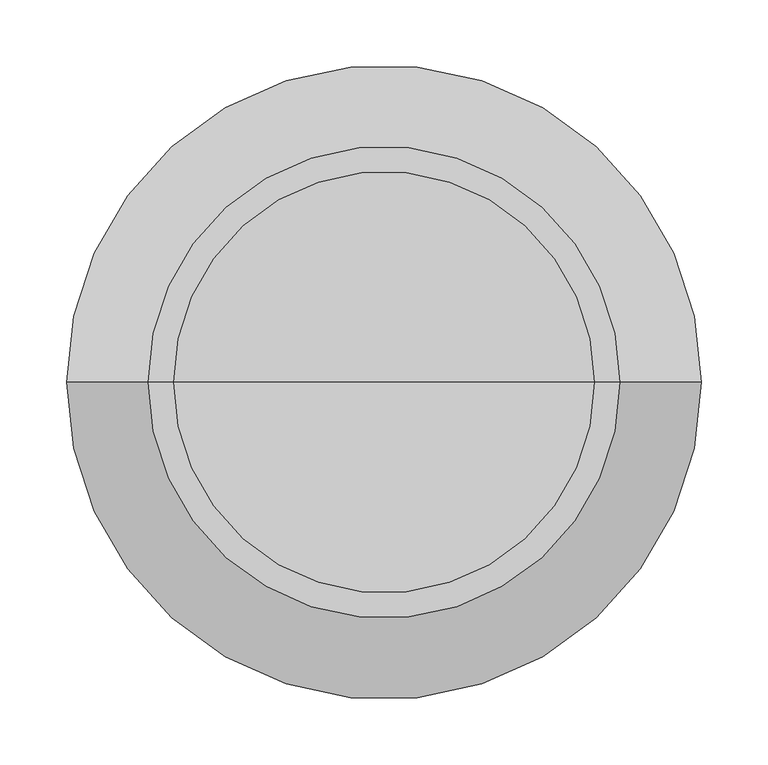
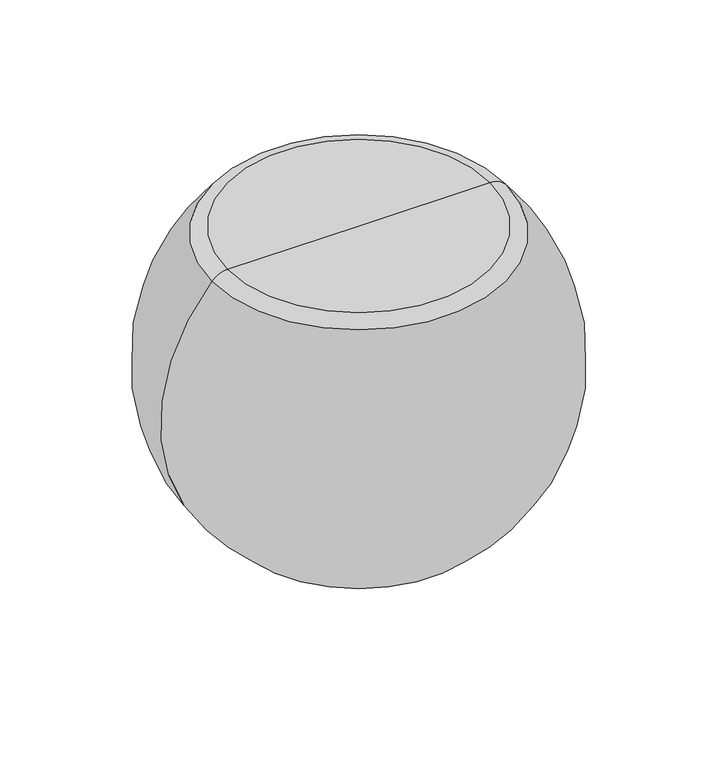
"""IFC4 building model written with IfcOpenShell, lengths in millimetres: furniture geometry."""

from ifc_helpers import new_model, si_unit, point, frame, origin, place, context, project, spatial, circle_curve, ellipse_curve, trimmed, source, transform, mapped, element, save
from ifc_brep_helpers import plane_surface, revolved_surface, advanced_brep


def furniture_f27f9bb0(model_context):
    return source(origin(), model_context, "Body", "AdvancedBrep", [
        advanced_brep(
        [(0.0, 0.0, 0.0), (61.523216, 0.0, 0.0), (-61.523216, 0.0, 0.0), (157.1485147, 0.0, 400.5443376), (0.0, 0.0, 400.5443376), (-157.1485147, 0.0, 400.5443376), (176.0567192, 0.0, 392.1042845), (-176.0567192, 0.0, 392.1042845)],
        [
            (0, 1),
            (1, 2, circle_curve(frame((0.0, 0.0, 0.0), z_axis=(0.0, 0.0, -1.0), x_axis=(-1.0, 0.0, 0.0)), 61.523216)),
            (2, 0),
            (2, 1, circle_curve(frame((0.0, 0.0, 0.0), z_axis=(0.0, 0.0, -1.0), x_axis=(-1.0, 0.0, 0.0)), 61.523216)),
            (3, 4),
            (4, 5),
            (5, 3, circle_curve(frame((0.0, 0.0, 400.5443376), z_axis=(0.0, 0.0, 1.0), x_axis=(-1.0, 0.0, 0.0)), 157.1485147)),
            (3, 5, circle_curve(frame((0.0, 0.0, 400.5443376), z_axis=(0.0, 0.0, 1.0), x_axis=(-1.0, 0.0, 0.0)), 157.1485147)),
            (6, 3, circle_curve(frame((157.1485147, 0.0, 375.1443376), z_axis=(0.0, -1.0, 0.0), x_axis=(-1.0, 0.0, 0.0)), 25.4)),
            (5, 7, circle_curve(frame((-157.1485147, 0.0, 375.1443376), z_axis=(0.0, -1.0, 0.0), x_axis=(1.0, 0.0, 0.0)), 25.4)),
            (7, 6, circle_curve(frame((0.0, 0.0, 392.1042845), z_axis=(0.0, 0.0, 1.0), x_axis=(-1.0, 0.0, 0.0)), 176.0567192)),
            (6, 7, circle_curve(frame((0.0, 0.0, 392.1042845), z_axis=(0.0, 0.0, 1.0), x_axis=(-1.0, 0.0, 0.0)), 176.0567192)),
            (1, 6, circle_curve(frame((-2.8908486, 0.0, 231.5950596), z_axis=(0.0, -1.0, 0.0), x_axis=(-1.0, 0.0, 0.0)), 240.3860298)),
            (7, 2, circle_curve(frame((2.8908486, 0.0, 231.5950596), z_axis=(0.0, -1.0, 0.0), x_axis=(1.0, 0.0, 0.0)), 240.3860298)),
        ],
        [
            plane_surface(frame((0.0, 0.0, 0.0), z_axis=(0.0, 0.0, -1.0), x_axis=(-1.0, 0.0, 0.0))),
            plane_surface(frame((0.0, 0.0, 400.5443376), z_axis=(0.0, 0.0, 1.0), x_axis=(-1.0, 0.0, 0.0))),
            revolved_surface(trimmed(ellipse_curve(frame((-157.1485147, 0.0, 375.1443376), z_axis=(0.0, -1.0, 0.0), x_axis=(1.0, 0.0, 0.0)), 25.4, 25.4), [point((-157.1485147, 0.0, 400.5443376))], [point((-176.0567192, 0.0, 392.1042845))], True, "CARTESIAN"), (0.0, 0.0, 2421.4288111), (0.0, 0.0, -1.0)),
            revolved_surface(trimmed(ellipse_curve(frame((2.8908486, 0.0, 231.5950596), z_axis=(0.0, -1.0, 0.0), x_axis=(1.0, 0.0, 0.0)), 240.3860298, 240.3860298), [point((-176.0567192, 0.0, 392.1042845))], [point((-61.523216, 0.0, 0.0))], True, "CARTESIAN"), (0.0, 0.0, 2421.4288111), (0.0, 0.0, -1.0)),
        ],
        [
            (0, [[1, 2, 3]]),
            (0, [[-3, 4, -1]]),
            (1, [[5, 6, 7]]),
            (1, [[-6, -5, 8]]),
            (2, [[9, -7, 10, 11]]),
            (2, [[-10, -8, -9, 12]]),
            (3, [[13, -11, 14, -2]]),
            (3, [[-14, -12, -13, -4]]),
        ],
    ),
    ])


if __name__ == "__main__":
    model = new_model("IFC4")
    model_context = context("Model", 3, world=origin())
    ifc_project = project(units=[si_unit("LENGTHUNIT", "METRE", prefix="MILLI")], contexts=[model_context])
    site = spatial("IfcSite", under=ifc_project)
    building = spatial("IfcBuilding", under=site)
    placement = place(None, origin())
    furniture_shape = furniture_f27f9bb0(model_context)
    element("IfcFurniture", 1, at=placement, inside=building, context=model_context, shape_type="MappedRepresentation", body=[
        mapped(furniture_shape, transform((0.0, 0.0, 0.0), x_axis=(1.0, 0.0, 0.0), y_axis=(0.0, 1.0, 0.0), z_axis=(0.0, 0.0, 1.0))),
    ])
    save(model, "model.ifc")
